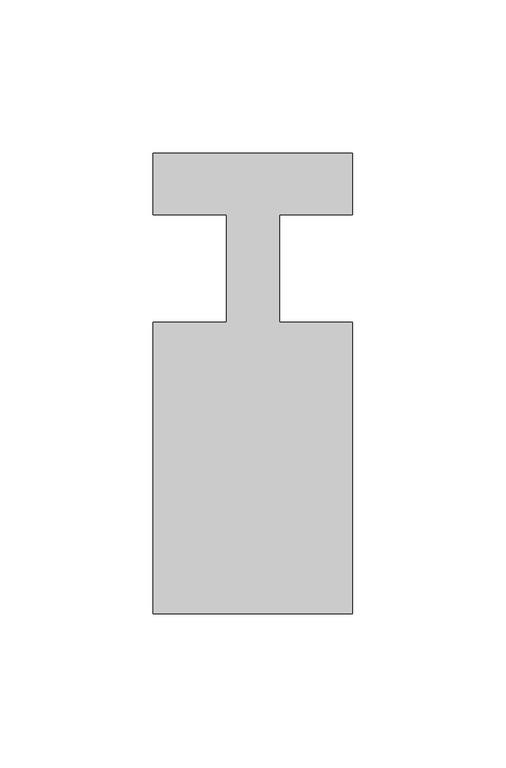
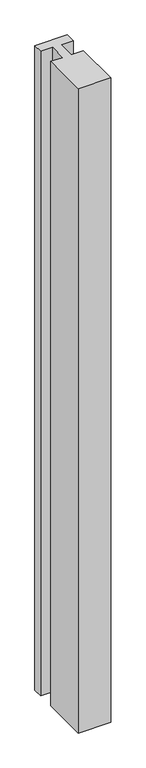
"""IFC4 building model written with IfcOpenShell, lengths in millimetres: member geometry."""

from ifc_helpers import new_model, si_unit, frame, origin, place, context, project, spatial, polyline, outline, extrude, source, transform, mapped, element, save


def member_ddb353b1(model_context):
    return source(origin(), model_context, "Body", "SweptSolid", [
        extrude(outline(polyline([(0.0, 37.0), (0.0, 17.0), (-23.8125, 17.0), (-23.8125, -18.0), (0.0, -18.0), (0.0, -113.0), (-65.0, -113.0), (-65.0, -18.0), (-41.1875, -18.0), (-41.1875, 17.0), (-65.0, 17.0), (-65.0, 37.0), (0.0, 37.0)])), frame((0.0, 0.0, -1361.1875), z_axis=(0.0, 0.0, 1.0), x_axis=(1.0, 0.0, 0.0)), (0.0, 0.0, 1.0), 1361.1875),
    ])


if __name__ == "__main__":
    model = new_model("IFC4")
    model_context = context("Model", 3, world=origin())
    ifc_project = project(units=[si_unit("LENGTHUNIT", "METRE", prefix="MILLI")], contexts=[model_context])
    site = spatial("IfcSite", under=ifc_project)
    building = spatial("IfcBuilding", under=site)
    placement = place(None, origin())
    member_shape = member_ddb353b1(model_context)
    element("IfcMember", 1, at=placement, inside=building, context=model_context, shape_type="MappedRepresentation", body=[
        mapped(member_shape, transform((0.0, 0.0, 0.0), x_axis=(1.0, 0.0, 0.0), y_axis=(0.0, 1.0, 0.0), z_axis=(0.0, 0.0, 1.0))),
    ])
    save(model, "model.ifc")
